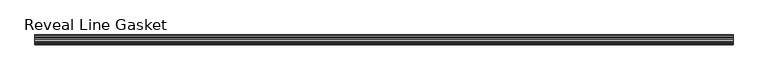
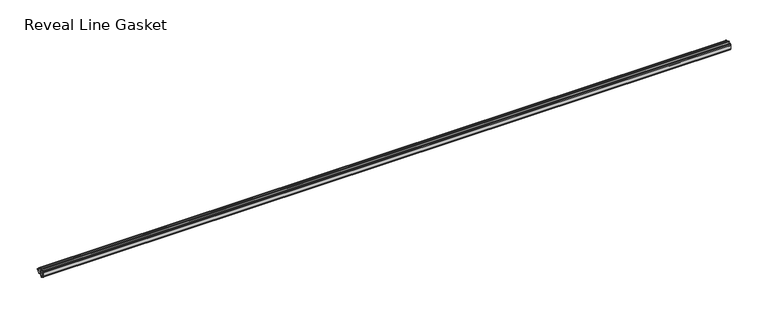
"""IFC4 building model written with IfcOpenShell, lengths in millimetres: furniture geometry, Reveal Line Gasket."""

from ifc_helpers import new_model, si_unit, point, frame, frame_2d, origin, place, context, project, spatial, polyline, circle_curve, trimmed, segment, composite_curve, outline, extrude, source, transform, mapped, element, save


def reveal_line_gasket_0fc6cbb6(model_context):
    return source(origin(), model_context, "Body", "SweptSolid", [
        extrude(outline(composite_curve([segment(polyline([(-7.6326998, 1603.2), (-7.4091917, 1604.1554927), (-6.8813059, 1605.0884684)]), True, "CONTINUOUS"), segment(trimmed(circle_curve(frame_2d((-6.5243141, 1604.8864793)), 0.4101739), [point((-6.8813059, 1605.0884684))], [point((-6.1246704, 1604.7941347))], False, "CARTESIAN"), True, "CONTINUOUS"), segment(polyline([(-6.1246704, 1604.7941347), (-6.3626997, 1603.0979086), (-6.3626997, 1601.0654527)]), True, "CONTINUOUS"), segment(trimmed(circle_curve(frame_2d((-5.6959605, 1601.4819258)), 0.786124), [point((-6.3626997, 1601.0654527))], [point((-5.0926996, 1600.977875))], True, "CARTESIAN"), True, "CONTINUOUS"), segment(polyline([(-5.0926996, 1600.977875), (-0.7492996, 1600.977875), (-3.7293824, 1606.1395295)]), True, "CONTINUOUS"), segment(trimmed(circle_curve(frame_2d((-3.3132479, 1606.2049761)), 0.4212495), [point((-3.7293824, 1606.1395295))], [point((-3.0485022, 1606.5326358))], False, "CARTESIAN"), True, "CONTINUOUS"), segment(polyline([(-3.0485022, 1606.5326358), (0.5742594, 1600.977875), (4.8262978, 1600.977875), (3.1660374, 1603.8535297)]), True, "CONTINUOUS"), segment(trimmed(circle_curve(frame_2d((3.5978728, 1603.9118855)), 0.4357605), [point((3.1660374, 1603.8535297))], [point((3.864328, 1604.2566881))], False, "CARTESIAN"), True, "CONTINUOUS"), segment(polyline([(3.864328, 1604.2566881), (6.1944059, 1600.977875), (7.6326998, 1600.977875), (7.6326998, 1599.422125), (6.1944059, 1599.422125), (3.864328, 1596.1433119)]), True, "CONTINUOUS"), segment(trimmed(circle_curve(frame_2d((3.5978728, 1596.4881145)), 0.4357605), [point((3.864328, 1596.1433119))], [point((3.1660374, 1596.5464703))], False, "CARTESIAN"), True, "CONTINUOUS"), segment(polyline([(3.1660374, 1596.5464703), (4.8262978, 1599.422125), (0.5742594, 1599.422125), (-3.0485022, 1593.8673642)]), True, "CONTINUOUS"), segment(trimmed(circle_curve(frame_2d((-3.3132479, 1594.1950239)), 0.4212495), [point((-3.0485022, 1593.8673642))], [point((-3.7293824, 1594.2604705))], False, "CARTESIAN"), True, "CONTINUOUS"), segment(polyline([(-3.7293824, 1594.2604705), (-0.7492996, 1599.422125), (-5.0926996, 1599.422125)]), True, "CONTINUOUS"), segment(trimmed(circle_curve(frame_2d((-5.6959605, 1598.9180742)), 0.786124), [point((-5.0926996, 1599.422125))], [point((-6.3626997, 1599.3345473))], True, "CARTESIAN"), True, "CONTINUOUS"), segment(polyline([(-6.3626997, 1599.3345473), (-6.3626997, 1597.3020914), (-6.1246704, 1595.6058653)]), True, "CONTINUOUS"), segment(trimmed(circle_curve(frame_2d((-6.5243141, 1595.5135207)), 0.4101739), [point((-6.1246704, 1595.6058653))], [point((-6.8813059, 1595.3115316))], False, "CARTESIAN"), True, "CONTINUOUS"), segment(polyline([(-6.8813059, 1595.3115316), (-7.4091917, 1596.2445073), (-7.6326998, 1597.2), (-7.6326998, 1603.2)]), True, "CONTINUOUS")], self_intersect=False)), frame((-531.5204, 0.0, 0.0), z_axis=(1.0, 0.0, 0.0), x_axis=(0.0, 1.0, 0.0)), (0.0, 0.0, 1.0), 1063.0408),
    ])


if __name__ == "__main__":
    model = new_model("IFC4")
    model_context = context("Model", 3, world=origin())
    ifc_project = project(units=[si_unit("LENGTHUNIT", "METRE", prefix="MILLI")], contexts=[model_context])
    site = spatial("IfcSite", under=ifc_project)
    building = spatial("IfcBuilding", under=site)
    placement = place(None, origin())
    reveal_line_gasket_shape = reveal_line_gasket_0fc6cbb6(model_context)
    element("IfcFurniture", 1, ObjectType="Reveal Line Gasket", at=placement, inside=building, context=model_context, shape_type="MappedRepresentation", body=[
        mapped(reveal_line_gasket_shape, transform((0.0, 0.0, 0.0), x_axis=(1.0, 0.0, 0.0), y_axis=(0.0, 1.0, 0.0), z_axis=(0.0, 0.0, 1.0))),
    ])
    save(model, "model.ifc")
